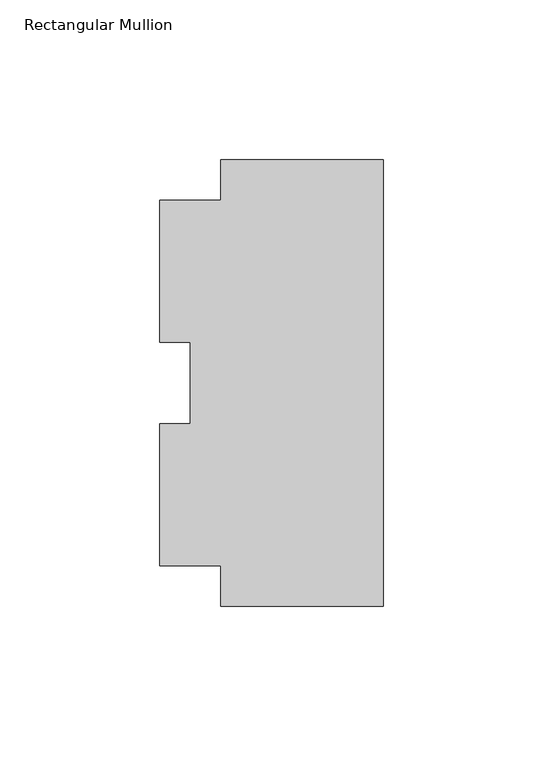
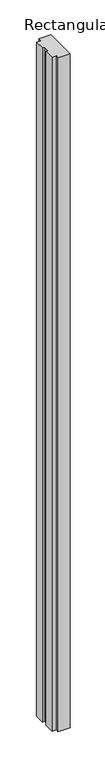
"""IFC4 building model written with IfcOpenShell, lengths in millimetres: member geometry, Rectangular Mullion."""

from ifc_helpers import new_model, si_unit, frame, origin, place, context, project, spatial, polyline, outline, extrude, source, transform, mapped, element, save


def rectangular_mullion_acedb537(model_context):
    return source(origin(), model_context, "Body", "SweptSolid", [
        extrude(outline(polyline([(-50.7746, -69.85), (-50.7746, -57.1499365), (-69.85, -57.1499365), (-69.85, -12.7326322), (-60.325, -12.7326322), (-60.325, 12.7550661), (-69.85, 12.7550661), (-69.85, 57.1500635), (-50.8, 57.1500635), (-50.8, 69.8500635), (0.0, 69.8500635), (0.0, -69.85), (-50.7746, -69.85)])), frame((0.0, 0.0, -3048.0), z_axis=(0.0, 0.0, 1.0), x_axis=(1.0, 0.0, 0.0)), (0.0, 0.0, 1.0), 3048.0),
    ])


if __name__ == "__main__":
    model = new_model("IFC4")
    model_context = context("Model", 3, world=origin())
    ifc_project = project(units=[si_unit("LENGTHUNIT", "METRE", prefix="MILLI")], contexts=[model_context])
    site = spatial("IfcSite", under=ifc_project)
    building = spatial("IfcBuilding", under=site)
    placement = place(None, origin())
    rectangular_mullion_shape = rectangular_mullion_acedb537(model_context)
    element("IfcMember", 1, ObjectType="Rectangular Mullion", at=placement, inside=building, context=model_context, shape_type="MappedRepresentation", body=[
        mapped(rectangular_mullion_shape, transform((0.0, 0.0, 0.0), x_axis=(1.0, 0.0, 0.0), y_axis=(0.0, 1.0, 0.0), z_axis=(0.0, 0.0, 1.0))),
    ])
    save(model, "model.ifc")
